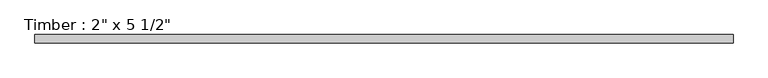
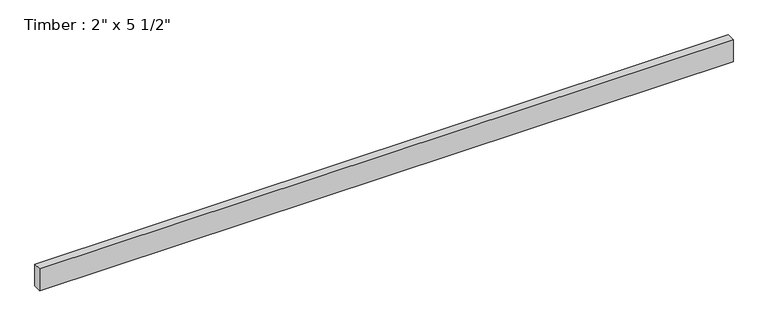
"""IFC4 building model written with IfcOpenShell, lengths in millimetres: beam geometry."""

from ifc_helpers import new_model, si_unit, frame, origin, place, context, project, spatial, polyline, outline, extrude, source, transform, mapped, element, save


def beam_68601f00(model_context):
    return source(origin(), model_context, "Body", "SweptSolid", [
        extrude(outline(polyline([(2093.8765279, 25.4), (2093.8765279, -25.4), (-2093.8765285, -25.4), (-2093.8765285, 25.4), (2093.8765279, 25.4)])), frame((0.0, 0.0, -69.85), z_axis=(0.0, 0.0, 1.0), x_axis=(1.0, 0.0, 0.0)), (0.0, 0.0, 1.0), 139.7),
    ])


if __name__ == "__main__":
    model = new_model("IFC4")
    model_context = context("Model", 3, world=origin())
    ifc_project = project(units=[si_unit("LENGTHUNIT", "METRE", prefix="MILLI")], contexts=[model_context])
    site = spatial("IfcSite", under=ifc_project)
    building = spatial("IfcBuilding", under=site)
    placement = place(None, origin())
    beam_shape = beam_68601f00(model_context)
    element("IfcBeam", 1, ObjectType="Timber : 2\" x 5 1/2\"", at=placement, inside=building, context=model_context, shape_type="MappedRepresentation", body=[
        mapped(beam_shape, transform((0.0, 0.0, 0.0), x_axis=(1.0, 0.0, 0.0), y_axis=(0.0, 1.0, 0.0), z_axis=(0.0, 0.0, 1.0))),
    ])
    save(model, "model.ifc")
